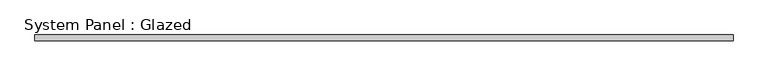
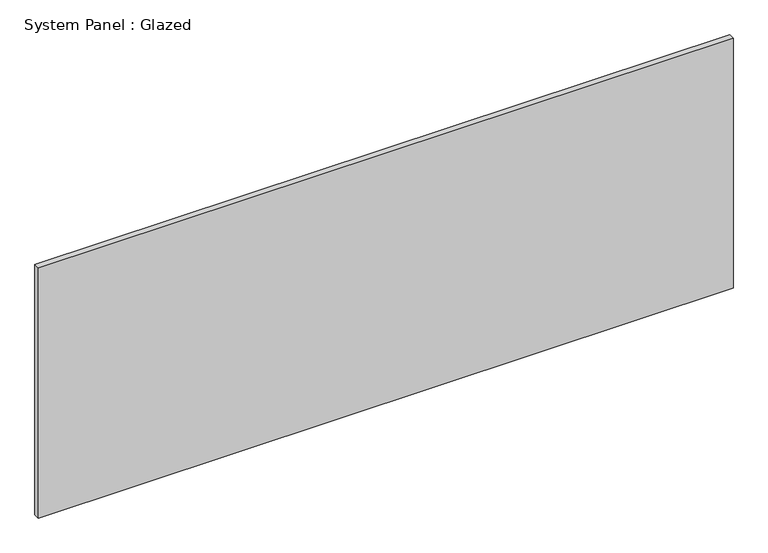
"""IFC4 building model written with IfcOpenShell, lengths in millimetres: plate geometry, System Panel : Glazed."""

from ifc_helpers import new_model, si_unit, origin, origin_with_axes, place, context, project, spatial, polyline, outline, extrude, source, transform, mapped, element, save


def system_panel_glazed_4f8419dd(model_context):
    return source(origin(), model_context, "Body", "SweptSolid", [
        extrude(outline(polyline([(1476.375, 19.05), (-1476.375, 19.05), (-1476.375, 44.45), (1476.375, 44.45), (1476.375, 19.05)])), origin_with_axes(), (0.0, 0.0, 1.0), 1123.95),
    ])


if __name__ == "__main__":
    model = new_model("IFC4")
    model_context = context("Model", 3, world=origin())
    ifc_project = project(units=[si_unit("LENGTHUNIT", "METRE", prefix="MILLI")], contexts=[model_context])
    site = spatial("IfcSite", under=ifc_project)
    building = spatial("IfcBuilding", under=site)
    placement = place(None, origin())
    system_panel_glazed_shape = system_panel_glazed_4f8419dd(model_context)
    element("IfcPlate", 1, ObjectType="System Panel : Glazed", at=placement, inside=building, context=model_context, shape_type="MappedRepresentation", body=[
        mapped(system_panel_glazed_shape, transform((0.0, 0.0, 0.0), x_axis=(1.0, 0.0, 0.0), y_axis=(0.0, 1.0, 0.0), z_axis=(0.0, 0.0, 1.0))),
    ])
    save(model, "model.ifc")
